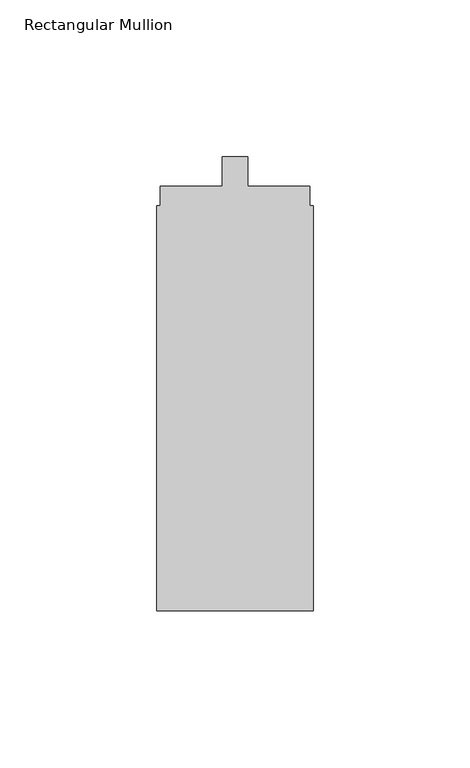
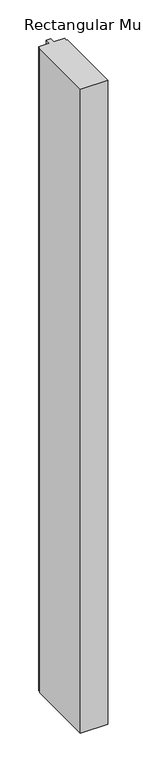
"""IFC4 building model written with IfcOpenShell, lengths in millimetres: member geometry, Rectangular Mullion."""

import ifcopenshell
import ifcopenshell.guid

model = None  # the IFC model being written
_history = None  # IfcOwnerHistory: only IFC2X3 demands one
_inside = {}  # id of a spatial element -> (the spatial element, [elements in it])
_under = {}  # id of a project, library or spatial element -> (it, [spatial elements below it])
_declared = {}  # id of a project -> (the project, [libraries it declares])
_typed = {}  # id of a type object -> (the type object, [elements of that type])
_made_of = {}  # id of a material, layer set ... -> (it, [elements and type objects made of it])


def new_model(schema):
    """Start an empty IFC model of exactly this schema.

    Asked for "IFC4X3", IfcOpenShell would pick the latest addendum, in which some entities
    have other attributes; the version numbers below select the first issue.
    IFC2X3 requires an IfcOwnerHistory on every rooted entity: one is made here for all.
    """
    global model, _history
    if schema == "IFC4X3":
        model = ifcopenshell.file(schema_version=(4, 3, 0, 0))
    else:
        model = ifcopenshell.file(schema=schema)
    _inside.clear()
    _under.clear()
    _declared.clear()
    _typed.clear()
    _made_of.clear()
    _history = None
    if model.schema == "IFC2X3":
        org = make("IfcOrganization", Name="unknown")
        user = make(
            "IfcPersonAndOrganization",
            ThePerson=make("IfcPerson", FamilyName="unknown"),
            TheOrganization=org,
        )
        app = make(
            "IfcApplication",
            ApplicationDeveloper=org,
            Version="unknown",
            ApplicationFullName="unknown",
            ApplicationIdentifier="unknown",
        )
        _history = make(
            "IfcOwnerHistory",
            OwningUser=user,
            OwningApplication=app,
            ChangeAction="ADDED",
            CreationDate=0,
        )
    return model


def make(cls, **values):
    """One entity of the class cls with the attributes given. An attribute that is None is left unset."""
    return model.create_entity(
        cls, **{name: value for name, value in values.items() if value is not None}
    )


def rooted(cls, **values):
    """An entity with a GlobalId (a new one), such as an element, a storey or a relation."""
    return make(cls, GlobalId=ifcopenshell.guid.new(), OwnerHistory=_history, **values)


def si_unit(unit_type, name, prefix=None):
    """IfcSIUnit, for example si_unit("LENGTHUNIT", "METRE", prefix="MILLI")."""
    return make("IfcSIUnit", UnitType=unit_type, Prefix=prefix, Name=name)


def assignment(units):
    """IfcUnitAssignment: the units of a project."""
    return None if units is None else make("IfcUnitAssignment", Units=units)


def point(xyz):
    """IfcCartesianPoint."""
    return None if xyz is None else make("IfcCartesianPoint", Coordinates=xyz)


def direction(xyz):
    """IfcDirection."""
    return None if xyz is None else make("IfcDirection", DirectionRatios=xyz)


def frame(location, z_axis=None, x_axis=None):
    """IfcAxis2Placement3D, a coordinate frame: its origin and axes. An axis left out is left unset."""
    return make(
        "IfcAxis2Placement3D",
        Location=point(location),
        Axis=direction(z_axis),
        RefDirection=direction(x_axis),
    )


def origin():
    """The frame at (0, 0, 0) with its axes left unset."""
    return frame((0.0, 0.0, 0.0))


def place(relative_to, where):
    """IfcLocalPlacement: puts the frame where relative to a parent placement (None: the world)."""
    return make(
        "IfcLocalPlacement", PlacementRelTo=relative_to, RelativePlacement=where
    )


def context(
    kind, dimensions, precision=None, world=None, true_north=None, identifier=None
):
    """IfcGeometricRepresentationContext, for example the 3D "Model" context."""
    return make(
        "IfcGeometricRepresentationContext",
        ContextIdentifier=identifier,
        ContextType=kind,
        CoordinateSpaceDimension=dimensions,
        Precision=precision,
        WorldCoordinateSystem=world,
        TrueNorth=true_north,
    )


def project(units=None, contexts=None):
    """IfcProject with its units and contexts."""
    return rooted(
        "IfcProject",
        Name="project",
        RepresentationContexts=contexts,
        UnitsInContext=assignment(units),
    )


def spatial(cls, under=None, at=None, **own):
    """A site, building, storey or space (cls), placed at a placement, below another one or the project."""
    s = rooted(cls, ObjectPlacement=at, **own)
    if under is not None:
        _under.setdefault(under.id(), (under, []))[1].append(s)
    return s


def polyline(points):
    """IfcPolyline through the points."""
    return make("IfcPolyline", Points=[point(p) for p in points])


def outline(outer, holes=None, kind="AREA"):
    """IfcArbitraryClosedProfileDef: a profile drawn as a closed curve; with holes, ...WithVoids."""
    if holes is None:
        return make("IfcArbitraryClosedProfileDef", ProfileType=kind, OuterCurve=outer)
    return make(
        "IfcArbitraryProfileDefWithVoids",
        ProfileType=kind,
        OuterCurve=outer,
        InnerCurves=holes,
    )


def extrude(swept, where, along, depth):
    """IfcExtrudedAreaSolid: the profile swept, set in the frame where, extruded along a direction by depth."""
    return make(
        "IfcExtrudedAreaSolid",
        SweptArea=swept,
        Position=where,
        ExtrudedDirection=direction(along),
        Depth=depth,
    )


def shape(context_of_items, identifier, shape_type, items):
    """IfcShapeRepresentation: the items that make up one representation, for example the "Body"."""
    return make(
        "IfcShapeRepresentation",
        ContextOfItems=context_of_items,
        RepresentationIdentifier=identifier,
        RepresentationType=shape_type,
        Items=items,
    )


def source(mapping_origin, context_of_items, identifier, shape_type, items):
    """IfcRepresentationMap: a shape defined once, which mapped items show again and again."""
    return make(
        "IfcRepresentationMap",
        MappingOrigin=mapping_origin,
        MappedRepresentation=shape(context_of_items, identifier, shape_type, items),
    )


def transform(
    local_origin,
    x_axis=None,
    y_axis=None,
    z_axis=None,
    scale=None,
    scale2=None,
    scale3=None,
    uniform=True,
):
    """IfcCartesianTransformationOperator3D, or its non-uniform kind. x_axis, y_axis, z_axis: its Axis1, 2, 3."""
    if uniform:
        return make(
            "IfcCartesianTransformationOperator3D",
            Axis1=direction(x_axis),
            Axis2=direction(y_axis),
            LocalOrigin=point(local_origin),
            Scale=scale,
            Axis3=direction(z_axis),
        )
    return make(
        "IfcCartesianTransformationOperator3DnonUniform",
        Axis1=direction(x_axis),
        Axis2=direction(y_axis),
        LocalOrigin=point(local_origin),
        Scale=scale,
        Axis3=direction(z_axis),
        Scale2=scale2,
        Scale3=scale3,
    )


def mapped(mapping_source, mapping_target):
    """IfcMappedItem: shows the shape of a source again, moved by a transform."""
    return make(
        "IfcMappedItem", MappingSource=mapping_source, MappingTarget=mapping_target
    )


def made_of(thing, what):
    """Note that an element or type object is made of a material, layer set ...; save() writes the relation."""
    if what is not None:
        _made_of.setdefault(what.id(), (what, []))[1].append(thing)
    return thing


def element(
    cls,
    number,
    at=None,
    inside=None,
    cuts=None,
    type_object=None,
    material=None,
    context=None,
    identifier="Body",
    shape_type=None,
    held_by="IfcProductDefinitionShape",
    body=None,
    shapes=None,
    **own,
):
    """One element of the class cls, such as IfcWall. Its Tag is "e" and its number.

    at: its placement. inside: the storey or other place that contains it. cuts: it is an
    opening in that element (IfcRelVoidsElement). A single representation is given by context,
    identifier, shape_type and body (its items); several are given by shapes. held_by: the class
    of the entity that holds the representations. save() writes the other relations.
    """
    e = rooted(cls, Tag="e%d" % number, ObjectPlacement=at, **own)
    if body is not None:
        shapes = [shape(context, identifier, shape_type, body)]
    if shapes is not None:
        e.Representation = make(held_by, Representations=shapes)
    if inside is not None:
        _inside.setdefault(inside.id(), (inside, []))[1].append(e)
    if cuts is not None:
        rooted(
            "IfcRelVoidsElement", RelatingBuildingElement=cuts, RelatedOpeningElement=e
        )
    if type_object is not None:
        _typed.setdefault(type_object.id(), (type_object, []))[1].append(e)
    return made_of(e, material)


def aggregate(whole, parts):
    """IfcRelAggregates: a whole, such as a stair, and the parts it consists of."""
    return rooted("IfcRelAggregates", RelatingObject=whole, RelatedObjects=parts)


def save(model, path):
    """Write the relations noted so far, then the file.

    IfcRelAggregates (storeys below a building ...), IfcRelContainedInSpatialStructure (elements
    in a storey), IfcRelDefinesByType, IfcRelAssociatesMaterial and IfcRelDeclares: one each for
    every whole, place, type object, material and project.
    """
    for whole, parts in _under.values():
        aggregate(whole, parts)
    for where, things in _inside.values():
        rooted(
            "IfcRelContainedInSpatialStructure",
            RelatedElements=things,
            RelatingStructure=where,
        )
    for kind, things in _typed.values():
        rooted("IfcRelDefinesByType", RelatedObjects=things, RelatingType=kind)
    for what, things in _made_of.values():
        rooted("IfcRelAssociatesMaterial", RelatedObjects=things, RelatingMaterial=what)
    for by, libraries in _declared.values():
        rooted("IfcRelDeclares", RelatingContext=by, RelatedDefinitions=libraries)
    model.write(path)


def rectangular_mullion_fb96d405(model_context):
    return source(origin(), model_context, "Body", "SweptSolid", [
        extrude(outline(polyline([(-50.0, -161.3), (-50.0, -32.0), (-48.8217337, -32.0), (-48.8217337, -25.8), (-29.1, -25.8), (-29.1, -16.3), (-20.9, -16.3), (-20.9, -25.8), (-1.1, -25.8), (-1.1, -32.0), (0.0, -32.0), (0.0, -161.3), (-50.0, -161.3)])), frame((0.0, 0.0, -1250.0), z_axis=(0.0, 0.0, 1.0), x_axis=(1.0, 0.0, 0.0)), (0.0, 0.0, 1.0), 1250.0),
    ])


if __name__ == "__main__":
    model = new_model("IFC4")
    model_context = context("Model", 3, world=origin())
    ifc_project = project(units=[si_unit("LENGTHUNIT", "METRE", prefix="MILLI")], contexts=[model_context])
    site = spatial("IfcSite", under=ifc_project)
    building = spatial("IfcBuilding", under=site)
    placement = place(None, origin())
    rectangular_mullion_shape = rectangular_mullion_fb96d405(model_context)
    element("IfcMember", 1, ObjectType="Rectangular Mullion", at=placement, inside=building, context=model_context, shape_type="MappedRepresentation", body=[
        mapped(rectangular_mullion_shape, transform((0.0, 0.0, 0.0), x_axis=(1.0, 0.0, 0.0), y_axis=(0.0, 1.0, 0.0), z_axis=(0.0, 0.0, 1.0))),
    ])
    save(model, "model.ifc")
